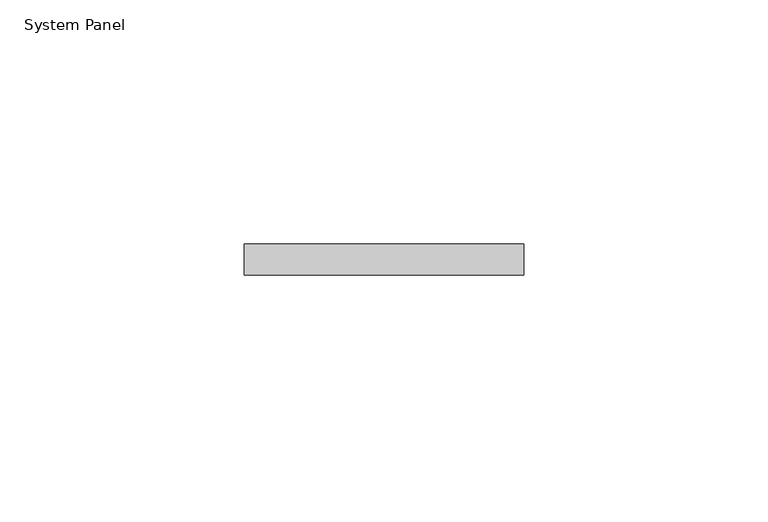
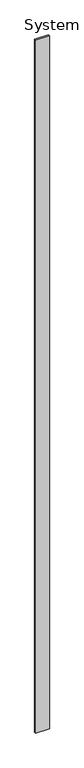
"""IFC4 building model written with IfcOpenShell, lengths in millimetres: plate geometry, System Panel."""

from ifc_helpers import new_model, si_unit, origin, origin_with_axes, place, context, project, spatial, polyline, outline, extrude, source, transform, mapped, element, save


def system_panel_573c1f33(model_context):
    return source(origin(), model_context, "Body", "SweptSolid", [
        extrude(outline(polyline([(28.575, 0.0), (-28.575, 0.0), (-28.575, 6.35), (28.575, 6.35), (28.575, 0.0)])), origin_with_axes(), (0.0, 0.0, 1.0), 3048.0),
    ])


if __name__ == "__main__":
    model = new_model("IFC4")
    model_context = context("Model", 3, world=origin())
    ifc_project = project(units=[si_unit("LENGTHUNIT", "METRE", prefix="MILLI")], contexts=[model_context])
    site = spatial("IfcSite", under=ifc_project)
    building = spatial("IfcBuilding", under=site)
    placement = place(None, origin())
    system_panel_shape = system_panel_573c1f33(model_context)
    element("IfcPlate", 1, ObjectType="System Panel", at=placement, inside=building, context=model_context, shape_type="MappedRepresentation", body=[
        mapped(system_panel_shape, transform((0.0, 0.0, 0.0), x_axis=(1.0, 0.0, 0.0), y_axis=(0.0, 1.0, 0.0), z_axis=(0.0, 0.0, 1.0))),
    ])
    save(model, "model.ifc")
